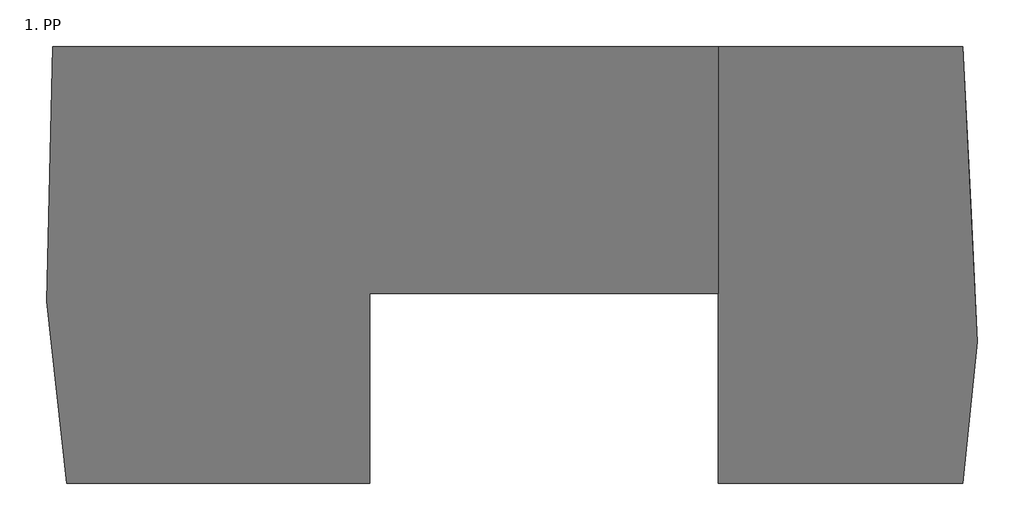
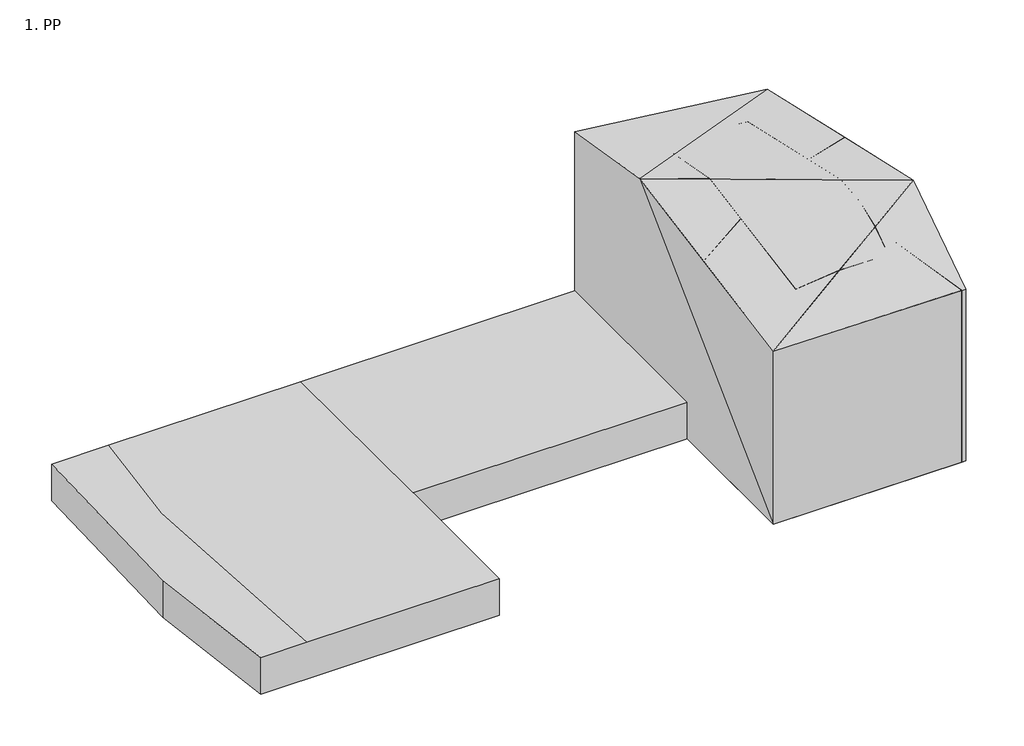
# One storey: 3 proxies.
"""IFC4 building model written with IfcOpenShell, lengths in millimetres."""

from ifc_helpers import new_model, si_unit, origin, place, context, project, spatial, faceted_brep, element, save

model = new_model("IFC4")

# Units and contexts
model_context = context("Model", 3, world=origin())
ifc_project = project(units=[si_unit("LENGTHUNIT", "METRE", prefix="MILLI")], contexts=[model_context])

# Site, building, storey
site = spatial("IfcSite", under=ifc_project)
building = spatial("IfcBuilding", under=site)
storey = spatial("IfcBuildingStorey", under=building, Name="1. PP", Elevation=-3360.0)

# Proxies
placement = place(None, origin())
element("IfcBuildingElementProxy", 1, Name="Mass", at=placement, inside=storey, context=model_context, shape_type="Brep", body=[
    faceted_brep([(842.1699314, 25544.4440915, -3360.0), (17637.5047927, 25544.4440915, -3360.0), (17637.5047927, 25544.4440915, 12470.0), (842.1699314, 25544.4440915, 12628.8164489), (18641.2419229, 35232.23573, -3360.0), (18641.2419229, 35232.23573, 16291.7835455), (17638.1699056, 55544.4440978, -3360.0), (17638.1699056, 55544.4440978, 12700.0050883), (842.1699314, 55544.4440978, -3360.0), (842.1699314, 55544.4440978, 0.0), (842.1699314, 55544.4440978, 14680.0), (842.1699314, 45764.4440978, 16280.0), (842.1699314, 38594.444098, 0.0), (842.1699314, 38594.444098, -3360.0)], [[[0, 1, 2, 3]], [[1, 4, 5, 2]], [[4, 6, 7, 5]], [[7, 6, 8, 9, 10]], [[0, 11, 10, 9, 12, 13]], [[0, 13, 8, 6, 4, 1]], [[3, 5, 11]], [[5, 7, 11]], [[3, 2, 5]], [[3, 11, 0]], [[7, 10, 11]], [[13, 12, 9, 8]]]),
])
element("IfcBuildingElementProxy", 2, Name="Mass", at=placement, inside=storey, context=model_context, shape_type="Brep", body=[
    faceted_brep([(17261.4905834, 25544.4440915, -3360.0), (17261.4905834, 25544.4440915, 12473.5555851), (13763.8865833, 32521.2476052, 15265.7769872), (13763.8865833, 32521.2476052, 0.0), (13763.8865833, 32521.2476052, -3360.0), (18170.2494694, 44769.8329207, 14605.2640149), (18170.2494694, 44769.8329207, -3360.0), (13703.264973, 42530.4488228, -3360.0), (13703.264973, 42530.4488228, 0.0), (13703.264973, 42530.4488228, 15491.5181585), (18641.2419229, 35232.23573, 16291.7835455), (18641.2419229, 35232.23573, -3360.0), (17637.5047927, 25544.4440915, -3360.0), (14057.5691222, 35355.7897961, -3360.0), (13925.8824088, 38022.4457452, 16288.6618292), (17637.5047927, 25544.4440915, 12470.0), (13770.0694729, 32580.9231362, 15289.3186746), (14057.5691222, 35355.7897961, 15821.2940039), (14057.5691222, 35355.7897961, 0.0)], [[[0, 1, 2, 3, 4]], [[5, 6, 7, 8, 9]], [[10, 11, 6, 5]], [[12, 0, 4, 13, 7, 6, 11]], [[10, 5, 9, 14]], [[0, 12, 15, 1]], [[15, 12, 11, 10]], [[1, 15, 10, 16, 2]], [[16, 10, 14, 17]], [[4, 3, 18, 13]], [[18, 8, 7, 13]], [[3, 2, 16, 17, 18]], [[18, 17, 14, 9, 8]]]),
    faceted_brep([(17261.4905834, 25544.4440915, 12473.5555851), (17261.4905834, 25544.4440915, -3360.0), (13763.8865833, 32521.2476052, -3360.0), (13763.8865833, 32521.2476052, 0.0), (13763.8865833, 32521.2476052, 15265.7769872), (842.1699314, 36082.9378136, -3360.0), (842.1699314, 36082.9378136, 6876.2026033), (842.1699314, 36082.9378136, 14531.7825676), (5414.1699314, 38374.9681764, 15437.2061697), (5414.1699314, 38374.9681764, 0.0), (5414.1699314, 38374.9681764, -3273.0173277), (5414.1699314, 38374.9681764, -3360.0), (842.1699314, 25544.4440915, -3360.0), (842.1699314, 25544.4440915, 12628.8164489), (9242.160371, 30116.4440915, 14357.4958209), (5414.1699314, 30116.4440915, 13945.9407253), (5414.1699314, 30116.4440915, -3360.0), (13514.7286052, 30116.4440915, -3360.0), (13514.7286052, 30116.4440915, 14317.0944761), (5414.1699314, 30116.4440915, 0.0), (13514.7286052, 30116.4440915, 0.0)], [[[0, 1, 2, 3, 4]], [[5, 6, 7, 8, 9, 10, 11]], [[5, 12, 6]], [[12, 13, 7, 6]], [[7, 13, 14, 15, 8]], [[1, 12, 5, 11, 16, 17, 2]], [[12, 1, 0, 13]], [[13, 0, 4, 18, 14]], [[16, 19, 20, 17]], [[20, 19, 15, 14, 18]], [[10, 19, 16, 11]], [[3, 2, 17, 20]], [[9, 19, 10]], [[4, 3, 20, 18]], [[19, 9, 8, 15]]]),
    faceted_brep([(2221.9212708, 55544.4440978, -3360.0), (5414.1699314, 49176.7444751, -3360.0), (5414.1699314, 49176.7444751, 0.0), (5414.1699314, 49176.7444751, 15182.7806502), (2221.9212708, 55544.4440978, 14517.3481403), (18170.2494694, 44769.8329207, -3360.0), (18170.2494694, 44769.8329207, 14605.2640149), (13703.264973, 42530.4488228, 15491.5181585), (13703.264973, 42530.4488228, 0.0), (13703.264973, 42530.4488228, -3360.0), (17638.1699056, 55544.4440978, -3360.0), (17638.1699056, 55544.4440978, 12700.0050883), (9786.297525, 50972.4440978, 14373.5978016), (13286.3763178, 50972.4440978, 13998.7323316), (13286.3763178, 50972.4440978, -3360.0), (5414.1699314, 50972.4440978, -3360.0), (13286.3763178, 50972.4440978, 0.0), (5414.1699314, 50972.4440978, 0.0), (5414.1699314, 50972.4440978, 14889.0056608)], [[[0, 1, 2, 3, 4]], [[5, 6, 7, 8, 9]], [[5, 10, 11, 6]], [[6, 11, 12, 13, 7]], [[0, 10, 5, 9, 14, 15, 1]], [[11, 10, 0, 4]], [[14, 16, 17, 15]], [[11, 4, 3, 18, 12]], [[17, 16, 13, 12, 18]], [[16, 14, 9, 8]], [[2, 1, 15, 17]], [[13, 16, 8, 7]], [[3, 2, 17, 18]]]),
    faceted_brep([(5414.1699314, 49176.7444751, -3360.0), (2221.9212708, 55544.4440978, -3360.0), (2221.9212708, 55544.4440978, 14517.3481403), (5414.1699314, 49176.7444751, 15182.7806502), (5414.1699314, 49176.7444751, 0.0), (842.1699314, 36082.9378136, 6876.2026033), (842.1699314, 36082.9378136, -3360.0), (5414.1699314, 38374.9681764, -3360.0), (5414.1699314, 38374.9681764, -3273.0173277), (5414.1699314, 38374.9681764, 0.0), (5414.1699314, 38374.9681764, 15437.2061697), (842.1699314, 36082.9378136, 14531.7825676), (842.1699314, 55544.4440978, 14680.0), (842.1699314, 55544.4440978, 0.0), (842.1699314, 38594.444098, 0.0), (842.1699314, 38594.444098, -3360.0), (842.1699314, 45764.4440978, 16280.0), (842.1699314, 55544.4440978, -3360.0), (5414.1699314, 38594.444098, -3360.0), (5414.1699314, 43059.0639139, 16283.0268078), (5414.1699314, 48426.6350997, 15305.4979304)], [[[0, 1, 2, 3, 4]], [[5, 6, 7, 8, 9, 10, 11]], [[12, 13, 14, 15, 6, 5, 16]], [[6, 15, 17, 1, 0, 18, 7]], [[16, 11, 10, 19]], [[11, 16, 5]], [[13, 17, 15, 14]], [[1, 17, 13, 12, 2]], [[2, 12, 16, 20, 3]], [[16, 19, 20]], [[18, 8, 7]], [[0, 4, 9, 8, 18]], [[4, 3, 20, 19, 10, 9]]]),
    faceted_brep([(5414.1699314, 38374.9681764, -3360.0), (5414.1699314, 38374.9681764, -3273.0173277), (5414.1699314, 38594.444098, -3360.0), (5414.1699314, 30116.4440915, 0.0), (5414.1699314, 30116.4440915, -3360.0), (13514.7286052, 30116.4440915, -3360.0), (13514.7286052, 30116.4440915, 0.0), (13763.8865833, 32521.2476052, -3360.0), (13763.8865833, 32521.2476052, 0.0), (13286.3763178, 50972.4440978, -3360.0), (13286.3763178, 50972.4440978, 0.0), (13703.264973, 42530.4488228, 0.0), (13703.264973, 42530.4488228, -3360.0), (5414.1699314, 50972.4440978, -3360.0), (5414.1699314, 50972.4440978, 0.0), (5414.1699314, 38374.9681764, 0.0), (5414.1699314, 49176.7444751, 0.0), (5414.1699314, 49176.7444751, -3360.0), (13514.7286052, 30116.4440915, 14317.0944761), (9242.160371, 30116.4440915, 14357.4958209), (5414.1699314, 30116.4440915, 13945.9407253), (13763.8865833, 32521.2476052, 15265.7769872), (13286.3763178, 50972.4440978, 13998.7323316), (13703.264973, 42530.4488228, 15491.5181585), (5414.1699314, 50972.4440978, 14889.0056608), (9786.297525, 50972.4440978, 14373.5978016), (5414.1699314, 43059.0639139, 16283.0268078), (5414.1699314, 48426.6350997, 15305.4979304), (5414.1699314, 49176.7444751, 15182.7806502), (5414.1699314, 38374.9681764, 15437.2061697), (14057.5691222, 35355.7897961, -3360.0), (13770.0694729, 32580.9231362, 15289.3186746), (14057.5691222, 35355.7897961, 15821.2940039), (13925.8824088, 38022.4457452, 16288.6618292), (14057.5691222, 35355.7897961, 0.0)], [[[0, 1, 2]], [[3, 4, 5, 6]], [[6, 5, 7, 8]], [[9, 10, 11, 12]], [[10, 9, 13, 14]], [[1, 15, 16, 17, 2]], [[3, 6, 18, 19, 20]], [[18, 6, 8, 21]], [[10, 22, 23, 11]], [[10, 14, 24, 25, 22]], [[26, 27, 28, 16, 15, 29]], [[5, 4, 0, 2, 17, 13, 9, 12, 30, 7]], [[19, 31, 32, 33, 26, 29, 20]], [[26, 33, 23, 22, 25, 27]], [[31, 19, 18, 21]], [[27, 25, 24, 28]], [[30, 34, 8, 7]], [[34, 30, 12, 11]], [[34, 32, 31, 21, 8]], [[32, 34, 11, 23, 33]], [[4, 3, 1, 0]], [[15, 1, 3]], [[3, 20, 29, 15]], [[14, 13, 17, 16]], [[24, 14, 16, 28]]]),
    faceted_brep([(842.1699314, 25544.4440915, -3360.0), (17637.5047927, 25544.4440915, -3360.0), (17637.5047927, 25544.4440915, 12470.0), (842.1699314, 25544.4440915, 12628.8164489), (18641.2419229, 35232.23573, -3360.0), (18641.2419229, 35232.23573, 16291.7835455), (17638.1699056, 55544.4440978, -3360.0), (17638.1699056, 55544.4440978, 12700.0050883), (842.1699314, 55544.4440978, -3360.0), (842.1699314, 55544.4440978, 0.0), (842.1699314, 55544.4440978, 14680.0), (842.1699314, 38594.444098, 0.0), (842.1699314, 38594.444098, -3360.0), (842.1699314, 45764.4440978, 16280.0), (5414.1699314, 38594.444098, -3360.0), (5414.1699314, 30116.4440915, -3360.0), (13514.7286052, 30116.4440915, -3360.0), (14057.5691222, 35355.7897961, -3360.0), (13286.3763178, 50972.4440978, -3360.0), (5414.1699314, 50972.4440978, -3360.0), (9242.160371, 30116.4440915, 14357.4958209), (5414.1699314, 30116.4440915, 13945.9407253), (5414.1699314, 43059.0639139, 16283.0268078), (13770.0694729, 32580.9231362, 15289.3186746), (13925.8824088, 38022.4457452, 16288.6618292), (14057.5691222, 35355.7897961, 15821.2940039), (9786.297525, 50972.4440978, 14373.5978016), (13286.3763178, 50972.4440978, 13998.7323316), (5414.1699314, 48426.6350997, 15305.4979304), (13514.7286052, 30116.4440915, 14317.0944761), (5414.1699314, 50972.4440978, 14889.0056608), (5414.1699314, 30116.4440915, 0.0), (13514.7286052, 30116.4440915, 0.0), (14057.5691222, 35355.7897961, 0.0), (13286.3763178, 50972.4440978, 0.0), (5414.1699314, 50972.4440978, 0.0)], [[[0, 1, 2, 3]], [[2, 1, 4, 5]], [[5, 4, 6, 7]], [[7, 6, 8, 9, 10]], [[10, 9, 11, 12, 0, 13]], [[1, 0, 12, 8, 6, 4], [14, 15, 16, 17, 18, 19]], [[13, 3, 20, 21, 22]], [[23, 5, 24, 25]], [[5, 7, 26, 27, 24]], [[13, 22, 28]], [[3, 2, 5, 23, 29, 20]], [[0, 3, 13]], [[7, 10, 13, 28, 30, 26]], [[9, 8, 12, 11]], [[31, 15, 14]], [[15, 31, 32, 16]], [[16, 32, 33, 17]], [[17, 33, 34, 18]], [[18, 34, 35, 19]], [[31, 14, 19, 35]], [[32, 31, 21, 20, 29]], [[33, 32, 29, 23, 25]], [[34, 33, 25, 24, 27]], [[35, 34, 27, 26, 30]], [[31, 35, 30, 28, 22, 21]]]),
])
element("IfcBuildingElementProxy", 3, Name="1. pp : 1. pp", ObjectType="1. pp : 1. pp", at=placement, inside=storey, context=model_context, shape_type="Brep", body=[
    faceted_brep([(-44818.6864748, 55535.0679773, -3360.0), (-45251.5710251, 38020.0363136, -3360.0), (-45251.5710251, 38020.0363136, 0.0), (-44818.6864748, 55535.0679773, 0.0), (-43876.112241, 25545.903353, -3360.0), (-43876.112241, 25545.903353, 0.0), (-23061.8300749, 25544.4440915, -3360.0), (-23061.8300749, 25544.4440915, 0.0), (-39861.8890764, 25545.6219212, 0.0), (-23061.8300749, 38594.444098, -3360.0), (-23061.8300749, 38594.444098, 0.0), (842.1699314, 38594.444098, -3360.0), (842.1699314, 38594.444098, 0.0), (-39873.2689832, 55536.0750274, 0.0), (-23061.8300749, 55539.4983909, 0.0), (842.1699314, 55544.3660337, 0.0), (842.1699314, 55544.3660337, -3360.0), (-40874.9727417, 45769.4637598, 0.0)], [[[0, 1, 2, 3]], [[1, 4, 5, 2]], [[5, 4, 6, 7, 8]], [[6, 9, 10, 7]], [[9, 11, 12, 10]], [[0, 3, 13, 14, 15, 16]], [[3, 2, 5, 8, 17, 13]], [[10, 12, 15, 14]], [[0, 16, 11, 9, 6, 4, 1]], [[7, 10, 14, 13, 17, 8]], [[12, 11, 16, 15]]]),
])

save(model, "model.ifc")
